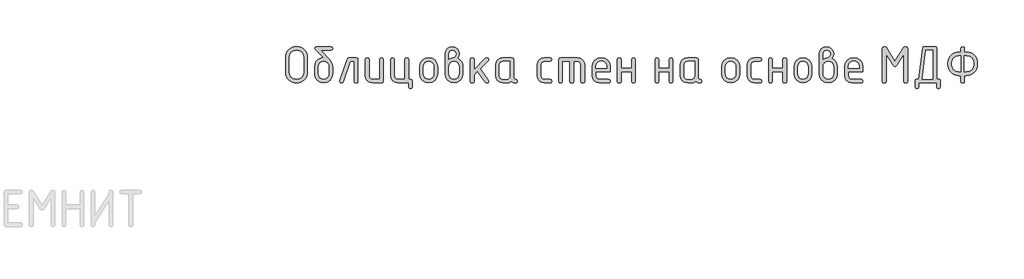
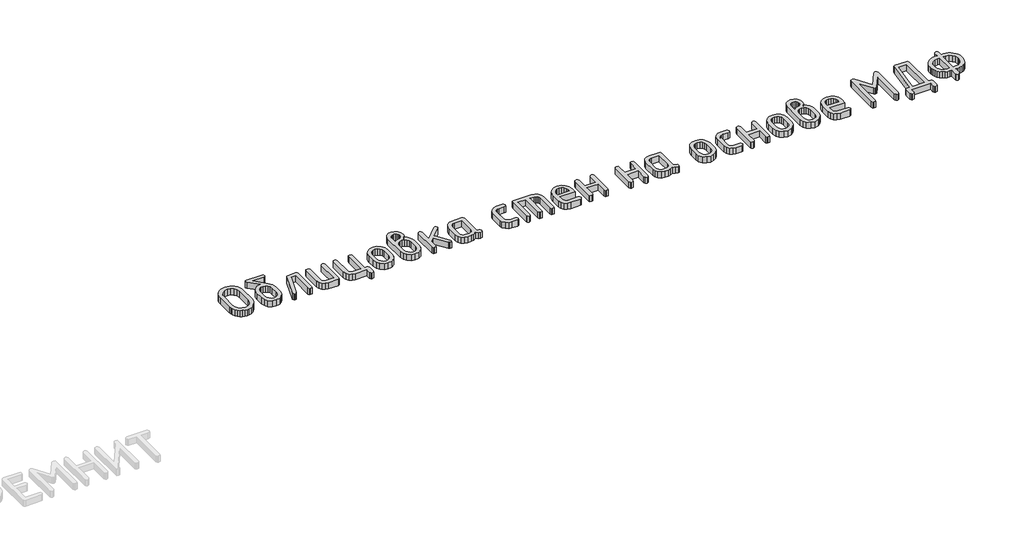
# One storey, part 11 of 33: 1 proxy.
"""IFC4 building model written with IfcOpenShell, lengths in millimetres."""

from ifc_helpers import new_model, si_unit, origin, origin_with_axes, place, context, project, spatial, polyline, outline, extrude, element, save

model = new_model("IFC4")

# Units and contexts
model_context = context("Model", 3, world=origin())
ifc_project = project(units=[si_unit("LENGTHUNIT", "METRE", prefix="MILLI")], contexts=[model_context])

# Site, building, storey
site = spatial("IfcSite", under=ifc_project)
building = spatial("IfcBuilding", under=site)
storey = spatial("IfcBuildingStorey", under=building, Elevation=0.0)

# Proxy
placement = place(None, origin())
element("IfcBuildingElementProxy", 1, Name="Generic Models", at=placement, inside=storey, context=model_context, shape_type="SweptSolid", body=[
    extrude(outline(polyline([(7653.9060887, -9615.316204), (7652.2516928, -9633.5498655), (7647.2885053, -9650.4015012), (7639.0165261, -9665.8711111), (7627.4357552, -9679.9586952), (7613.5146195, -9691.680695), (7598.2215457, -9700.053552), (7581.5565339, -9705.0772662), (7563.5195841, -9706.7518376), (7545.4826343, -9705.0772662), (7528.8176226, -9700.053552), (7513.5245488, -9691.680695), (7499.6034131, -9679.9586952), (7488.0226422, -9665.8711111), (7479.750663, -9650.4015012), (7474.7874754, -9633.5498655), (7473.1330796, -9615.316204), (7473.1330796, -9493.4558274), (7474.7874754, -9475.2221659), (7479.750663, -9458.3705302), (7488.0226422, -9442.9009203), (7499.6034131, -9428.8133362), (7513.5245488, -9417.0913364), (7528.8176226, -9408.7184794), (7545.4826343, -9403.6947652), (7563.5195841, -9402.0201938), (7581.6548898, -9403.6871993), (7598.3728624, -9408.688216), (7613.673502, -9417.0232439), (7627.5568086, -9428.6922828), (7639.0846186, -9442.7420378), (7647.3187686, -9458.2192135), (7652.2592587, -9475.12381), (7653.9060887, -9493.4558274), (7653.9060887, -9615.316204)]), holes=[polyline([(7622.91643, -9615.0740973), (7622.91643, -9493.6979341), (7618.6089481, -9470.1732322), (7605.6865025, -9450.60294), (7586.5298092, -9437.4081243), (7563.5195841, -9433.0098525), (7540.509359, -9437.4081243), (7521.3526657, -9450.60294), (7508.4302202, -9470.1732322), (7504.1227383, -9493.6979341), (7504.1227383, -9615.0740973), (7508.4302202, -9638.5987992), (7521.3526657, -9658.1690915), (7540.509359, -9671.3639071), (7563.5195841, -9675.7621789), (7586.5298092, -9671.3639071), (7605.6865025, -9658.1690915), (7618.6089481, -9638.5987992), (7622.91643, -9615.0740973)])]), origin_with_axes(), (0.0, 0.0, 1.0), 50.0),
    extrude(outline(polyline([(7865.6687564, -9569.8808451), (7865.6687564, -9630.7303311), (7860.1910922, -9659.9546284), (7843.7580993, -9684.5183716), (7819.5575162, -9701.1934711), (7790.7770813, -9706.7518376), (7761.9966463, -9701.1833833), (7737.7960632, -9684.4780205), (7721.3630704, -9659.8638384), (7715.8854061, -9630.5689267), (7715.8854061, -9569.6387383), (7718.4779654, -9548.2072507), (7726.2556434, -9529.8323603), (7739.2184401, -9514.5140671), (7757.3663555, -9502.2523711), (7773.083116, -9495.6549633), (7787.629694, -9493.4558274), (7721.0503492, -9426.4729713), (7715.8854061, -9417.5150231), (7719.6178845, -9405.8939011), (7730.8153198, -9402.0201938), (7850.7388428, -9402.0201938), (7861.936278, -9405.8939011), (7865.6687564, -9417.5150231), (7861.936278, -9429.1361451), (7850.7388428, -9433.0098525), (7765.759388, -9433.0098525), (7841.1352766, -9513.3892797), (7859.5353865, -9540.6666356), (7865.6687564, -9569.8808451)]), holes=[polyline([(7834.6790977, -9630.2461177), (7834.6790977, -9569.6387383), (7831.4610961, -9552.2070553), (7821.8070911, -9537.5192483), (7807.6135853, -9527.5323466), (7790.7770813, -9524.2033794), (7773.9405772, -9527.5323466), (7759.7470714, -9537.5192483), (7750.0930664, -9552.2070553), (7746.8750648, -9569.6387383), (7746.8750648, -9630.2461177), (7750.0628031, -9647.8392052), (7759.6260181, -9662.5270122), (7773.7892605, -9672.4533873), (7790.7770813, -9675.7621789), (7807.6135853, -9672.4332117), (7821.8070911, -9662.44631), (7831.4610961, -9647.7383274), (7834.6790977, -9630.2461177)])]), origin_with_axes(), (0.0, 0.0, 1.0), 50.0),
    extrude(outline(polyline([(8001.0064065, -9494.9891699), (8061.9365949, -9494.9891699), (8073.5577169, -9498.7619994), (8077.4314242, -9510.080488), (8077.4314242, -9691.6605195), (8073.5577169, -9702.9790081), (8061.9365949, -9706.7518376), (8050.3154729, -9702.9790081), (8046.4417655, -9691.6605195), (8046.4417655, -9525.9788286), (8011.8205062, -9525.9788286), (7954.683323, -9696.5026536), (7949.3771509, -9704.1895416), (7940.3990272, -9706.7518376), (7929.0200119, -9702.9184814), (7925.2270068, -9691.4184128), (7925.9533269, -9686.8183853), (7985.8343861, -9507.336612), (7991.7256494, -9498.0760304), (8001.0064065, -9494.9891699)])), origin_with_axes(), (0.0, 0.0, 1.0), 50.0),
    extrude(outline(polyline([(8289.194092, -9510.080488), (8289.194092, -9691.6605195), (8285.441438, -9702.9790081), (8274.1834761, -9706.7518376), (8199.2918009, -9706.7518376), (8176.0697324, -9702.3737413), (8156.7617224, -9689.2394524), (8143.7484868, -9669.7296868), (8139.4107416, -9646.2251605), (8139.4107416, -9510.080488), (8143.284449, -9498.7619994), (8154.905571, -9494.9891699), (8166.526693, -9498.7619994), (8170.4004003, -9510.080488), (8170.4004003, -9645.6602448), (8172.5591851, -9657.089699), (8179.0355396, -9666.8445818), (8188.5180523, -9673.5327797), (8199.6953121, -9675.7621789), (8258.2044333, -9675.7621789), (8258.2044333, -9510.080488), (8262.0781406, -9498.7619994), (8273.6992627, -9494.9891699), (8285.3203847, -9498.7619994), (8289.194092, -9510.080488)])), origin_with_axes(), (0.0, 0.0, 1.0), 50.0),
    extrude(outline(polyline([(8516.4515891, -9675.7621789), (8528.0727111, -9679.6358863), (8531.9464185, -9691.2570083), (8531.9464185, -9737.7414963), (8528.0727111, -9749.3626184), (8516.4515891, -9753.2363257), (8504.8304671, -9749.3626184), (8500.9567598, -9737.7414963), (8500.9567598, -9706.7518376), (8411.0544687, -9706.7518376), (8387.8324002, -9702.343478), (8368.5243902, -9689.118399), (8355.5111546, -9669.5783701), (8351.1734094, -9646.2251605), (8351.1734094, -9510.080488), (8355.0471167, -9498.7619994), (8366.6682387, -9494.9891699), (8378.2893608, -9498.7619994), (8382.1630681, -9510.080488), (8382.1630681, -9645.6602448), (8384.3218529, -9657.089699), (8390.7982074, -9666.8445818), (8400.2807201, -9673.5327797), (8411.4579798, -9675.7621789), (8469.9671011, -9675.7621789), (8469.9671011, -9510.080488), (8473.8408084, -9498.7619994), (8485.4619304, -9494.9891699), (8497.0830524, -9498.7619994), (8500.9567598, -9510.080488), (8500.9567598, -9675.7621789), (8516.4515891, -9675.7621789)])), origin_with_axes(), (0.0, 0.0, 1.0), 50.0),
    extrude(outline(polyline([(8593.9257359, -9631.1338423), (8593.9257359, -9570.6071652), (8599.4034002, -9541.5341846), (8615.836393, -9517.1015826), (8640.0369761, -9500.517273), (8668.8174111, -9494.9891699), (8697.9004794, -9500.4567464), (8722.0405358, -9516.8594759), (8738.2919486, -9541.2315512), (8743.7090863, -9570.6071652), (8743.7090863, -9631.1338423), (8738.231422, -9660.2068229), (8721.7984291, -9684.6394249), (8697.597846, -9701.2237345), (8668.8174111, -9706.7518376), (8640.0369761, -9701.2237345), (8615.836393, -9684.6394249), (8599.4034002, -9660.2068229), (8593.9257359, -9631.1338423)]), holes=[polyline([(8712.7194276, -9630.2461177), (8712.7194276, -9569.6387383), (8709.5014259, -9552.2070553), (8699.8474209, -9537.5192483), (8685.6539151, -9527.5323466), (8668.8174111, -9524.2033794), (8651.980907, -9527.5323466), (8637.7874012, -9537.5192483), (8628.1333962, -9552.2070553), (8624.9153946, -9569.6387383), (8624.9153946, -9630.2461177), (8628.1031329, -9647.8392052), (8637.6663479, -9662.5270122), (8651.8295903, -9672.4533873), (8668.8174111, -9675.7621789), (8685.6539151, -9672.4332117), (8699.8474209, -9662.44631), (8709.5014259, -9647.7383274), (8712.7194276, -9630.2461177)])]), origin_with_axes(), (0.0, 0.0, 1.0), 50.0),
    extrude(outline(polyline([(8910.5206085, -9499.6698996), (8929.0518595, -9511.0590026), (8943.3260675, -9527.6332244), (8952.4353324, -9547.7179934), (8955.471754, -9569.6387383), (8955.471754, -9630.5689267), (8949.9940897, -9660.0151551), (8933.5610969, -9684.5990738), (8909.3605138, -9701.2136467), (8880.5800788, -9706.7518376), (8851.6483272, -9701.1833833), (8827.4780074, -9684.4780205), (8811.1358046, -9659.8638384), (8805.6884037, -9630.5689267), (8805.6884037, -9462.9503821), (8810.0160611, -9439.344978), (8822.9990333, -9419.6939835), (8842.1759022, -9406.4386412), (8865.0852495, -9402.0201938), (8888.0954746, -9406.4689045), (8907.2521679, -9419.8150368), (8920.1746135, -9439.4962947), (8924.4820953, -9462.9503821), (8920.9917236, -9483.6706812), (8910.5206085, -9499.6698996)]), holes=[polyline([(8924.4820953, -9630.2461177), (8924.4820953, -9569.6387383), (8921.294357, -9552.2070553), (8911.731142, -9537.5192483), (8897.5678996, -9527.5323466), (8880.5800788, -9524.2033794), (8863.5922581, -9527.5323466), (8849.4290157, -9537.5192483), (8839.8658007, -9552.2070553), (8836.6780624, -9569.6387383), (8836.6780624, -9630.2461177), (8839.8658007, -9647.8392052), (8849.4290157, -9662.5270122), (8863.5922581, -9672.4533873), (8880.5800788, -9675.7621789), (8897.5678996, -9672.4332117), (8911.731142, -9662.44631), (8921.294357, -9647.7383274), (8924.4820953, -9630.2461177)]), polyline([(8836.6780624, -9509.7576791), (8855.1588744, -9498.4391905), (8872.0256418, -9494.6663609), (8881.1046434, -9492.0233627), (8889.4573248, -9484.094368), (8895.3284125, -9474.2285196), (8897.2854417, -9464.3223201), (8895.1064814, -9452.5196181), (8888.5696002, -9442.774823), (8878.8046296, -9436.2379419), (8866.9414009, -9434.0589815), (8855.2900156, -9436.2682053), (8845.5149572, -9442.8958764), (8838.8872861, -9452.6709348), (8836.6780624, -9464.3223201), (8836.6780624, -9509.7576791)])]), origin_with_axes(), (0.0, 0.0, 1.0), 50.0),
    extrude(outline(polyline([(9048.4407301, -9594.4143249), (9143.6693688, -9499.3470906), (9154.4834685, -9494.9891699), (9165.8624838, -9498.7619994), (9169.6554889, -9510.080488), (9165.0554614, -9520.652481), (9098.4761166, -9587.1511236), (9166.6695062, -9682.944678), (9169.6554889, -9691.8219239), (9165.8624838, -9703.0193592), (9154.4834685, -9706.7518376), (9147.3413206, -9705.1377929), (9141.8939196, -9700.2956587), (9076.6865128, -9608.6986207), (9048.4407301, -9636.9444033), (9048.4407301, -9691.5798172), (9044.5670228, -9702.9588325), (9032.9459008, -9706.7518376), (9021.3247788, -9702.9790081), (9017.4510714, -9691.6605195), (9017.4510714, -9510.080488), (9021.3247788, -9498.7619994), (9032.9459008, -9494.9891699), (9044.5670228, -9498.7619994), (9048.4407301, -9510.080488), (9048.4407301, -9594.4143249)])), origin_with_axes(), (0.0, 0.0, 1.0), 50.0),
    extrude(outline(polyline([(9409.2604282, -9691.6605195), (9405.4875986, -9702.9790081), (9394.16911, -9706.7518376), (9375.0225045, -9702.7369014), (9359.7092551, -9690.6920926), (9341.2889697, -9702.7369014), (9319.1160303, -9706.7518376), (9289.0947985, -9706.7518376), (9265.87273, -9702.3737413), (9246.56472, -9689.2394524), (9233.5514844, -9669.7296868), (9229.2137392, -9646.2251605), (9229.2137392, -9555.515847), (9233.5514844, -9532.0113207), (9246.56472, -9512.5015551), (9265.87273, -9499.3672662), (9289.0947985, -9494.9891699), (9363.9864737, -9494.9891699), (9375.2444356, -9498.7619994), (9378.9970896, -9510.080488), (9378.9970896, -9661.3971809), (9382.7800069, -9672.7156695), (9394.1287589, -9676.4884991), (9405.4775108, -9680.2815042), (9409.2604282, -9691.6605195)]), holes=[polyline([(9348.0074309, -9525.9788286), (9289.4983096, -9525.9788286), (9278.2201721, -9528.1678767), (9268.7578349, -9534.7350212), (9262.3420072, -9544.4092018), (9260.2033979, -9555.9193582), (9260.2033979, -9645.8216493), (9262.3621827, -9657.230928), (9268.8385372, -9666.9252841), (9278.3210499, -9673.5529552), (9289.4983096, -9675.7621789), (9318.7125191, -9675.7621789), (9329.9906567, -9673.5731308), (9339.4529938, -9667.0059863), (9345.8688216, -9657.3318058), (9348.0074309, -9645.8216493), (9348.0074309, -9525.9788286)])]), origin_with_axes(), (0.0, 0.0, 1.0), 50.0),
    extrude(outline(polyline([(9606.2545867, -9555.9193582), (9606.2545867, -9645.8216493), (9608.4940738, -9657.230928), (9615.2125349, -9666.9252841), (9625.0178566, -9673.5529552), (9636.5179253, -9675.7621789), (9682.0339865, -9675.7621789), (9693.3524751, -9679.6358863), (9697.1253047, -9691.2570083), (9693.3524751, -9702.8781303), (9682.0339865, -9706.7518376), (9636.5179253, -9706.7518376), (9612.9730479, -9702.3737413), (9593.1808244, -9689.2394524), (9579.7439021, -9669.7296868), (9575.264928, -9646.2251605), (9575.264928, -9555.515847), (9579.7439021, -9532.0113207), (9593.1808244, -9512.5015551), (9612.9730479, -9499.3672662), (9636.5179253, -9494.9891699), (9682.0339865, -9494.9891699), (9693.3524751, -9498.8628772), (9697.1253047, -9510.4839992), (9693.3524751, -9522.1051212), (9682.0339865, -9525.9788286), (9636.5179253, -9525.9788286), (9624.8665399, -9528.1678767), (9615.0914816, -9534.7350212), (9608.4638104, -9544.4092018), (9606.2545867, -9555.9193582)])), origin_with_axes(), (0.0, 0.0, 1.0), 50.0),
    extrude(outline(polyline([(9771.5327664, -9494.9891699), (9910.9862306, -9494.9891699), (9934.8740925, -9499.3975295), (9954.8882471, -9512.6226085), (9968.4462228, -9532.1626374), (9972.965548, -9555.515847), (9972.965548, -9691.6605195), (9969.0918406, -9702.9790081), (9957.4707186, -9706.7518376), (9945.8495966, -9702.9790081), (9941.9758893, -9691.6605195), (9941.9758893, -9556.0807627), (9939.74649, -9544.3486751), (9933.0582922, -9534.654319), (9923.0814782, -9528.1477012), (9910.9862306, -9525.9788286), (9879.9965719, -9525.9788286), (9879.9965719, -9691.6605195), (9876.1228645, -9702.9790081), (9864.5017425, -9706.7518376), (9852.8806205, -9702.9790081), (9849.0069132, -9691.6605195), (9849.0069132, -9525.9788286), (9787.0275958, -9525.9788286), (9787.0275958, -9691.6605195), (9783.1538884, -9702.9790081), (9771.5327664, -9706.7518376), (9759.9116444, -9702.9790081), (9756.0379371, -9691.6605195), (9756.0379371, -9510.080488), (9759.9116444, -9498.7619994), (9771.5327664, -9494.9891699)])), origin_with_axes(), (0.0, 0.0, 1.0), 50.0),
    extrude(outline(polyline([(10065.9345241, -9613.7828615), (10065.9345241, -9644.7725202), (10068.1740111, -9656.5651345), (10074.8924723, -9666.6024751), (10084.697794, -9673.472253), (10096.1978627, -9675.7621789), (10171.9772624, -9675.7621789), (10183.3562777, -9679.6358863), (10187.1492828, -9691.2570083), (10183.3562777, -9702.8781303), (10171.9772624, -9706.7518376), (10096.1978627, -9706.7518376), (10072.6529852, -9702.3737413), (10052.8607618, -9689.2394524), (10039.4238395, -9669.7296868), (10034.9448654, -9646.2251605), (10034.9448654, -9570.6071652), (10040.5637586, -9541.5341846), (10057.4204382, -9517.1015826), (10082.1455858, -9500.517273), (10111.3698831, -9494.9891699), (10140.8161115, -9500.3558686), (10165.2386257, -9516.4559647), (10181.6716186, -9540.3841777), (10187.1492828, -9569.2352272), (10187.1492828, -9613.7828615), (10065.9345241, -9613.7828615)]), holes=[polyline([(10111.3698831, -9522.1858235), (10093.9382, -9525.5147907), (10079.250393, -9535.5016924), (10069.2634913, -9550.1894994), (10065.9345241, -9567.6211824), (10065.9345241, -9582.7932028), (10156.805242, -9582.7932028), (10156.805242, -9567.6211824), (10153.4762748, -9550.1894994), (10143.4893731, -9535.5016924), (10128.8015661, -9525.5147907), (10111.3698831, -9522.1858235)])]), origin_with_axes(), (0.0, 0.0, 1.0), 50.0),
    extrude(outline(polyline([(10277.6971919, -9613.7828615), (10277.6971919, -9691.2570083), (10273.8234845, -9702.8781303), (10262.2023625, -9706.7518376), (10250.5812405, -9702.9790081), (10246.7075332, -9691.6605195), (10246.7075332, -9510.080488), (10250.5812405, -9498.7619994), (10262.2023625, -9494.9891699), (10273.8234845, -9498.6409461), (10277.6971919, -9509.5962746), (10277.6971919, -9582.7932028), (10365.5012248, -9582.7932028), (10365.5012248, -9509.5962746), (10369.3749322, -9498.6409461), (10380.9960542, -9494.9891699), (10392.6171762, -9498.7619994), (10396.4908835, -9510.080488), (10396.4908835, -9691.6605195), (10392.6171762, -9702.9790081), (10380.9960542, -9706.7518376), (10369.3749322, -9702.8781303), (10365.5012248, -9691.2570083), (10365.5012248, -9613.7828615), (10277.6971919, -9613.7828615)])), origin_with_axes(), (0.0, 0.0, 1.0), 50.0),
    extrude(outline(polyline([(10592.758722, -9613.7828615), (10592.758722, -9691.2570083), (10588.8850146, -9702.8781303), (10577.2638926, -9706.7518376), (10565.6427706, -9702.9790081), (10561.7690633, -9691.6605195), (10561.7690633, -9510.080488), (10565.6427706, -9498.7619994), (10577.2638926, -9494.9891699), (10588.8850146, -9498.6409461), (10592.758722, -9509.5962746), (10592.758722, -9582.7932028), (10680.5627549, -9582.7932028), (10680.5627549, -9509.5962746), (10684.4364623, -9498.6409461), (10696.0575843, -9494.9891699), (10707.6787063, -9498.7619994), (10711.5524136, -9510.080488), (10711.5524136, -9691.6605195), (10707.6787063, -9702.9790081), (10696.0575843, -9706.7518376), (10684.4364623, -9702.8781303), (10680.5627549, -9691.2570083), (10680.5627549, -9613.7828615), (10592.758722, -9613.7828615)])), origin_with_axes(), (0.0, 0.0, 1.0), 50.0),
    extrude(outline(polyline([(10953.57842, -9691.6605195), (10949.8055904, -9702.9790081), (10938.4871018, -9706.7518376), (10919.3404963, -9702.7369014), (10904.027247, -9690.6920926), (10885.6069616, -9702.7369014), (10863.4340222, -9706.7518376), (10833.4127903, -9706.7518376), (10810.1907218, -9702.3737413), (10790.8827118, -9689.2394524), (10777.8694762, -9669.7296868), (10773.531731, -9646.2251605), (10773.531731, -9555.515847), (10777.8694762, -9532.0113207), (10790.8827118, -9512.5015551), (10810.1907218, -9499.3672662), (10833.4127903, -9494.9891699), (10908.3044655, -9494.9891699), (10919.5624274, -9498.7619994), (10923.3150814, -9510.080488), (10923.3150814, -9661.3971809), (10927.0979987, -9672.7156695), (10938.4467507, -9676.4884991), (10949.7955027, -9680.2815042), (10953.57842, -9691.6605195)]), holes=[polyline([(10892.3254227, -9525.9788286), (10833.8163015, -9525.9788286), (10822.538164, -9528.1678767), (10813.0758268, -9534.7350212), (10806.659999, -9544.4092018), (10804.5213897, -9555.9193582), (10804.5213897, -9645.8216493), (10806.6801746, -9657.230928), (10813.156529, -9666.9252841), (10822.6390418, -9673.5529552), (10833.8163015, -9675.7621789), (10863.030511, -9675.7621789), (10874.3086485, -9673.5731308), (10883.7709857, -9667.0059863), (10890.1868135, -9657.3318058), (10892.3254227, -9645.8216493), (10892.3254227, -9525.9788286)])]), origin_with_axes(), (0.0, 0.0, 1.0), 50.0),
    extrude(outline(polyline([(11119.5829198, -9631.1338423), (11119.5829198, -9570.6071652), (11125.0605841, -9541.5341846), (11141.493577, -9517.1015826), (11165.69416, -9500.517273), (11194.474595, -9494.9891699), (11223.5576634, -9500.4567464), (11247.6977198, -9516.8594759), (11263.9491326, -9541.2315512), (11269.3662702, -9570.6071652), (11269.3662702, -9631.1338423), (11263.8886059, -9660.2068229), (11247.4556131, -9684.6394249), (11223.25503, -9701.2237345), (11194.474595, -9706.7518376), (11165.69416, -9701.2237345), (11141.493577, -9684.6394249), (11125.0605841, -9660.2068229), (11119.5829198, -9631.1338423)]), holes=[polyline([(11238.3766115, -9630.2461177), (11238.3766115, -9569.6387383), (11235.1586099, -9552.2070553), (11225.5046048, -9537.5192483), (11211.3110991, -9527.5323466), (11194.474595, -9524.2033794), (11177.638091, -9527.5323466), (11163.4445852, -9537.5192483), (11153.7905802, -9552.2070553), (11150.5725785, -9569.6387383), (11150.5725785, -9630.2461177), (11153.7603169, -9647.8392052), (11163.3235319, -9662.5270122), (11177.4867743, -9672.4533873), (11194.474595, -9675.7621789), (11211.3110991, -9672.4332117), (11225.5046048, -9662.44631), (11235.1586099, -9647.7383274), (11238.3766115, -9630.2461177)])]), origin_with_axes(), (0.0, 0.0, 1.0), 50.0),
    extrude(outline(polyline([(11362.3352463, -9555.9193582), (11362.3352463, -9645.8216493), (11364.5747334, -9657.230928), (11371.2931945, -9666.9252841), (11381.0985162, -9673.5529552), (11392.5985849, -9675.7621789), (11438.1146461, -9675.7621789), (11449.4331347, -9679.6358863), (11453.2059643, -9691.2570083), (11449.4331347, -9702.8781303), (11438.1146461, -9706.7518376), (11392.5985849, -9706.7518376), (11369.0537075, -9702.3737413), (11349.2614841, -9689.2394524), (11335.8245617, -9669.7296868), (11331.3455876, -9646.2251605), (11331.3455876, -9555.515847), (11335.8245617, -9532.0113207), (11349.2614841, -9512.5015551), (11369.0537075, -9499.3672662), (11392.5985849, -9494.9891699), (11438.1146461, -9494.9891699), (11449.4331347, -9498.8628772), (11453.2059643, -9510.4839992), (11449.4331347, -9522.1051212), (11438.1146461, -9525.9788286), (11392.5985849, -9525.9788286), (11380.9471995, -9528.1678767), (11371.1721412, -9534.7350212), (11364.54447, -9544.4092018), (11362.3352463, -9555.9193582)])), origin_with_axes(), (0.0, 0.0, 1.0), 50.0),
    extrude(outline(polyline([(11543.1082554, -9613.7828615), (11543.1082554, -9691.2570083), (11539.2345481, -9702.8781303), (11527.613426, -9706.7518376), (11515.992304, -9702.9790081), (11512.1185967, -9691.6605195), (11512.1185967, -9510.080488), (11515.992304, -9498.7619994), (11527.613426, -9494.9891699), (11539.2345481, -9498.6409461), (11543.1082554, -9509.5962746), (11543.1082554, -9582.7932028), (11630.9122884, -9582.7932028), (11630.9122884, -9509.5962746), (11634.7859957, -9498.6409461), (11646.4071177, -9494.9891699), (11658.0282397, -9498.7619994), (11661.9019471, -9510.080488), (11661.9019471, -9691.6605195), (11658.0282397, -9702.9790081), (11646.4071177, -9706.7518376), (11634.7859957, -9702.8781303), (11630.9122884, -9691.2570083), (11630.9122884, -9613.7828615), (11543.1082554, -9613.7828615)])), origin_with_axes(), (0.0, 0.0, 1.0), 50.0),
    extrude(outline(polyline([(11723.8812645, -9631.1338423), (11723.8812645, -9570.6071652), (11729.3589288, -9541.5341846), (11745.7919216, -9517.1015826), (11769.9925047, -9500.517273), (11798.7729397, -9494.9891699), (11827.856008, -9500.4567464), (11851.9960644, -9516.8594759), (11868.2474772, -9541.2315512), (11873.6646149, -9570.6071652), (11873.6646149, -9631.1338423), (11868.1869506, -9660.2068229), (11851.7539577, -9684.6394249), (11827.5533746, -9701.2237345), (11798.7729397, -9706.7518376), (11769.9925047, -9701.2237345), (11745.7919216, -9684.6394249), (11729.3589288, -9660.2068229), (11723.8812645, -9631.1338423)]), holes=[polyline([(11842.6749562, -9630.2461177), (11842.6749562, -9569.6387383), (11839.4569545, -9552.2070553), (11829.8029495, -9537.5192483), (11815.6094437, -9527.5323466), (11798.7729397, -9524.2033794), (11781.9364356, -9527.5323466), (11767.7429298, -9537.5192483), (11758.0889248, -9552.2070553), (11754.8709232, -9569.6387383), (11754.8709232, -9630.2461177), (11758.0586615, -9647.8392052), (11767.6218765, -9662.5270122), (11781.7851189, -9672.4533873), (11798.7729397, -9675.7621789), (11815.6094437, -9672.4332117), (11829.8029495, -9662.44631), (11839.4569545, -9647.7383274), (11842.6749562, -9630.2461177)])]), origin_with_axes(), (0.0, 0.0, 1.0), 50.0),
    extrude(outline(polyline([(12040.4761371, -9499.6698996), (12059.0073881, -9511.0590026), (12073.2815961, -9527.6332244), (12082.390861, -9547.7179934), (12085.4272826, -9569.6387383), (12085.4272826, -9630.5689267), (12079.9496183, -9660.0151551), (12063.5166255, -9684.5990738), (12039.3160424, -9701.2136467), (12010.5356074, -9706.7518376), (11981.6038558, -9701.1833833), (11957.433536, -9684.4780205), (11941.0913332, -9659.8638384), (11935.6439323, -9630.5689267), (11935.6439323, -9462.9503821), (11939.9715897, -9439.344978), (11952.9545619, -9419.6939835), (11972.1314308, -9406.4386412), (11995.0407781, -9402.0201938), (12018.0510032, -9406.4689045), (12037.2076965, -9419.8150368), (12050.1301421, -9439.4962947), (12054.4376239, -9462.9503821), (12050.9472522, -9483.6706812), (12040.4761371, -9499.6698996)]), holes=[polyline([(11966.6335909, -9509.7576791), (11985.114403, -9498.4391905), (12001.9811704, -9494.6663609), (12011.060172, -9492.0233627), (12019.4128534, -9484.094368), (12025.2839411, -9474.2285196), (12027.2409703, -9464.3223201), (12025.06201, -9452.5196181), (12018.5251288, -9442.774823), (12008.7601582, -9436.2379419), (11996.8969295, -9434.0589815), (11985.2455442, -9436.2682053), (11975.4704858, -9442.8958764), (11968.8428147, -9452.6709348), (11966.6335909, -9464.3223201), (11966.6335909, -9509.7576791)]), polyline([(12054.4376239, -9630.2461177), (12054.4376239, -9569.6387383), (12051.2498856, -9552.2070553), (12041.6866706, -9537.5192483), (12027.5234282, -9527.5323466), (12010.5356074, -9524.2033794), (11993.5477867, -9527.5323466), (11979.3845443, -9537.5192483), (11969.8213293, -9552.2070553), (11966.6335909, -9569.6387383), (11966.6335909, -9630.2461177), (11969.8213293, -9647.8392052), (11979.3845443, -9662.5270122), (11993.5477867, -9672.4533873), (12010.5356074, -9675.7621789), (12027.5234282, -9672.4332117), (12041.6866706, -9662.44631), (12051.2498856, -9647.7383274), (12054.4376239, -9630.2461177)])]), origin_with_axes(), (0.0, 0.0, 1.0), 50.0),
    extrude(outline(polyline([(12178.3962587, -9613.7828615), (12178.3962587, -9644.7725202), (12180.6357458, -9656.5651345), (12187.3542069, -9666.6024751), (12197.1595286, -9673.472253), (12208.6595973, -9675.7621789), (12284.4389971, -9675.7621789), (12295.8180124, -9679.6358863), (12299.6110175, -9691.2570083), (12295.8180124, -9702.8781303), (12284.4389971, -9706.7518376), (12208.6595973, -9706.7518376), (12185.1147199, -9702.3737413), (12165.3224965, -9689.2394524), (12151.8855741, -9669.7296868), (12147.4066, -9646.2251605), (12147.4066, -9570.6071652), (12153.0254932, -9541.5341846), (12169.8821728, -9517.1015826), (12194.6073204, -9500.517273), (12223.8316177, -9494.9891699), (12253.2778461, -9500.3558686), (12277.7003604, -9516.4559647), (12294.1333532, -9540.3841777), (12299.6110175, -9569.2352272), (12299.6110175, -9613.7828615), (12178.3962587, -9613.7828615)]), holes=[polyline([(12223.8316177, -9522.1858235), (12206.3999347, -9525.5147907), (12191.7121277, -9535.5016924), (12181.725226, -9550.1894994), (12178.3962587, -9567.6211824), (12178.3962587, -9582.7932028), (12269.2669767, -9582.7932028), (12269.2669767, -9567.6211824), (12265.9380094, -9550.1894994), (12255.9511077, -9535.5016924), (12241.2633007, -9525.5147907), (12223.8316177, -9522.1858235)])]), origin_with_axes(), (0.0, 0.0, 1.0), 50.0),
    extrude(outline(polyline([(12657.4447328, -9402.0201938), (12670.0342816, -9405.8333744), (12674.2307979, -9417.2729164), (12674.2307979, -9691.499115), (12670.3570906, -9702.938657), (12658.7359686, -9706.7518376), (12647.1148465, -9702.938657), (12643.2411392, -9691.499115), (12643.2411392, -9467.3890051), (12582.2302486, -9559.95447), (12575.6933675, -9566.7939845), (12568.349464, -9569.0738227), (12560.8845072, -9566.7939845), (12554.3072749, -9559.95447), (12493.4577888, -9467.3890051), (12493.4577888, -9691.499115), (12489.5840815, -9702.938657), (12477.9629595, -9706.7518376), (12466.3418375, -9702.938657), (12462.4681301, -9691.499115), (12462.4681301, -9417.2729164), (12466.5839442, -9405.8333744), (12478.9313863, -9402.0201938), (12487.0823122, -9403.9166963), (12493.4577888, -9409.606204), (12568.1073573, -9526.7051487), (12643.2411392, -9408.7184794), (12649.2131047, -9403.6947652), (12657.4447328, -9402.0201938)])), origin_with_axes(), (0.0, 0.0, 1.0), 50.0),
    extrude(outline(polyline([(12916.9831244, -9675.7621789), (12937.1586834, -9676.7306058), (12945.2692582, -9681.7744955), (12947.9727831, -9691.2570083), (12947.9727831, -9737.7414963), (12944.0990757, -9749.3626184), (12932.4779537, -9753.2363257), (12920.8568317, -9749.3626184), (12916.9831244, -9737.7414963), (12916.9831244, -9706.7518376), (12767.199774, -9706.7518376), (12767.199774, -9737.7414963), (12763.3260667, -9749.3626184), (12751.7049447, -9753.2363257), (12740.0838226, -9749.3626184), (12736.2101153, -9737.7414963), (12736.2101153, -9691.2570083), (12738.9338158, -9681.7744955), (12747.1049172, -9676.7306058), (12767.199774, -9675.7621789), (12799.1578595, -9416.3044896), (12803.3342003, -9405.5912677), (12812.312324, -9402.0201938), (12902.0532107, -9402.0201938), (12913.250646, -9405.8131989), (12916.9831244, -9417.1922142), (12916.9831244, -9675.7621789)]), holes=[polyline([(12885.9934657, -9675.7621789), (12885.9934657, -9433.0098525), (12825.3860863, -9433.0098525), (12795.0420455, -9675.7621789), (12885.9934657, -9675.7621789)])]), origin_with_axes(), (0.0, 0.0, 1.0), 50.0),
    extrude(outline(polyline([(13149.4055646, -9644.7725202), (13149.4055646, -9691.2570083), (13145.5318573, -9702.8781303), (13133.9107353, -9706.7518376), (13122.2896133, -9702.8781303), (13118.4159059, -9691.2570083), (13118.4159059, -9644.7725202), (13102.9210766, -9644.7725202), (13084.27886, -9643.1080366), (13067.0892837, -9638.1145858), (13051.3523477, -9629.7921676), (13037.0680518, -9618.1407823), (13025.2048231, -9604.1591199), (13016.7310883, -9588.8458706), (13011.6468474, -9572.2010343), (13009.9521005, -9554.2246112), (13009.9521005, -9539.0525908), (13011.6619791, -9520.9122413), (13016.791615, -9504.179137), (13025.3410081, -9488.853278), (13037.3101586, -9474.9346642), (13051.6701127, -9463.3715469), (13067.3919171, -9455.1121774), (13084.4755717, -9450.1565557), (13102.9210766, -9448.5046818), (13118.4159059, -9448.5046818), (13118.4159059, -9417.5150231), (13122.2896133, -9405.8939011), (13133.9107353, -9402.0201938), (13145.5318573, -9405.8939011), (13149.4055646, -9417.5150231), (13149.4055646, -9448.5046818), (13164.900394, -9448.5046818), (13183.5426105, -9450.1641215), (13200.7321868, -9455.1424407), (13216.4691229, -9463.4396394), (13230.7534187, -9475.0557175), (13242.6166474, -9489.0121605), (13251.0903822, -9504.3304537), (13256.1746231, -9521.0105971), (13257.8693701, -9539.0525908), (13257.8693701, -9554.2246112), (13256.1594914, -9572.3649608), (13251.0298556, -9589.098065), (13242.4804624, -9604.4239241), (13230.511312, -9618.3425379), (13216.1513579, -9629.9056552), (13200.4295535, -9638.1650247), (13183.3458988, -9643.1206463), (13164.900394, -9644.7725202), (13149.4055646, -9644.7725202)]), holes=[polyline([(13149.4055646, -9613.7828615), (13164.900394, -9613.7828615), (13188.9395726, -9609.4350286), (13208.9234638, -9596.3915296), (13222.3906495, -9577.113783), (13226.8797114, -9554.0632068), (13226.8797114, -9539.2139953), (13222.3603861, -9516.0625413), (13208.8024105, -9496.8049702), (13188.7882559, -9483.8219979), (13164.900394, -9479.4943405), (13149.4055646, -9479.4943405), (13149.4055646, -9613.7828615)]), polyline([(13118.4159059, -9613.7828615), (13118.4159059, -9479.4943405), (13102.9210766, -9479.4943405), (13078.881898, -9483.8421735), (13058.8980067, -9496.8856724), (13045.4308211, -9516.1634191), (13040.9417592, -9539.2139953), (13040.9417592, -9554.0632068), (13045.4610844, -9577.2146608), (13059.0190601, -9596.4722319), (13079.0332147, -9609.4552041), (13102.9210766, -9613.7828615), (13118.4159059, -9613.7828615)])]), origin_with_axes(), (0.0, 0.0, 1.0), 50.0),
])

save(model, "model.ifc")
